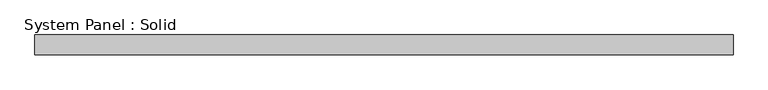
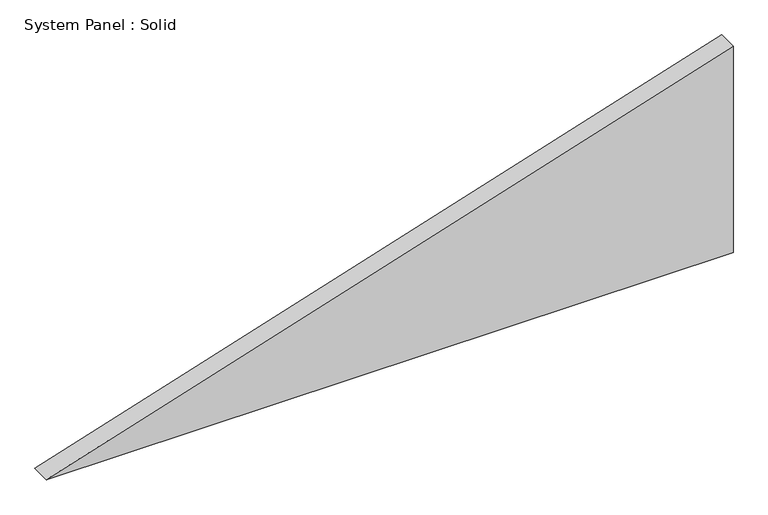
"""IFC4 building model written with IfcOpenShell, lengths in millimetres: plate geometry, System Panel : Solid."""

from ifc_helpers import new_model, si_unit, frame, origin, place, context, project, spatial, polyline, outline, extrude, source, transform, mapped, element, save


def system_panel_solid_d9232b0e(model_context):
    return source(origin(), model_context, "Body", "SweptSolid", [
        extrude(outline(polyline([(0.0, -1062.4887001), (0.0, 1062.4887001), (675.4886959, 1062.4887001), (0.0, -1062.4887001)])), frame((0.0, -10.5, 0.0), z_axis=(0.0, 1.0, 0.0), x_axis=(0.0, 0.0, 1.0)), (0.0, 0.0, 1.0), 60.0),
    ])


if __name__ == "__main__":
    model = new_model("IFC4")
    model_context = context("Model", 3, world=origin())
    ifc_project = project(units=[si_unit("LENGTHUNIT", "METRE", prefix="MILLI")], contexts=[model_context])
    site = spatial("IfcSite", under=ifc_project)
    building = spatial("IfcBuilding", under=site)
    placement = place(None, origin())
    system_panel_solid_shape = system_panel_solid_d9232b0e(model_context)
    element("IfcPlate", 1, ObjectType="System Panel : Solid", at=placement, inside=building, context=model_context, shape_type="MappedRepresentation", body=[
        mapped(system_panel_solid_shape, transform((0.0, 0.0, 0.0), x_axis=(1.0, 0.0, 0.0), y_axis=(0.0, 1.0, 0.0), z_axis=(0.0, 0.0, 1.0))),
    ])
    save(model, "model.ifc")
